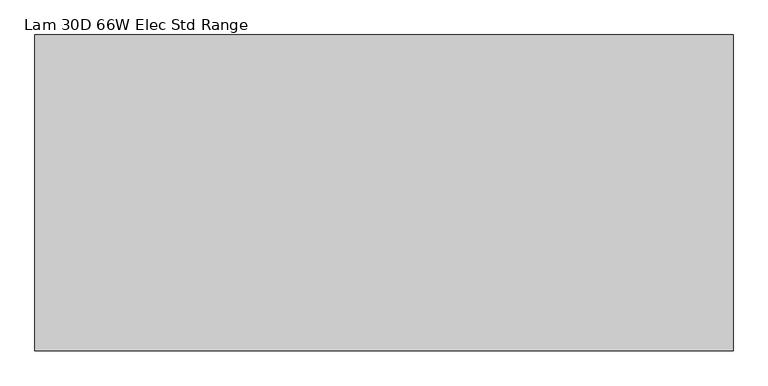
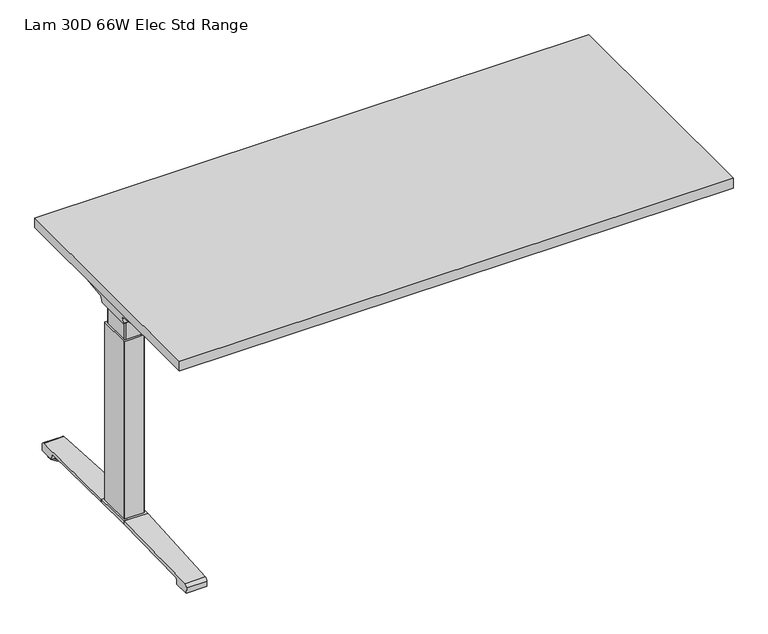
"""IFC4 building model written with IfcOpenShell, lengths in millimetres: furniture geometry, Lam 30D 66W Elec Std Range."""

from ifc_helpers import new_model, si_unit, point, frame, frame_2d, origin, place, context, project, spatial, polyline, circle_curve, ellipse_curve, trimmed, segment, composite_curve, outline, extrude, source, transform, mapped, element, save
from ifc_brep_helpers import plane_surface, cylinder_surface, revolved_surface, advanced_brep


def lam_30d_66w_elec_std_range_392728a6(model_context):
    return source(origin(), model_context, "Body", "SolidModel", [
        extrude(outline(polyline([(811.276, 366.776), (811.276, -366.776), (-811.276, -366.776), (-811.276, 366.776), (811.276, 366.776)])), frame((0.0, 0.0, 707.009), z_axis=(0.0, 0.0, 1.0), x_axis=(1.0, 0.0, 0.0)), (0.0, 0.0, 1.0), 29.591),
        advanced_brep(
        [(-794.9406297, 53.5092702, 658.5915733), (-629.2122138, 53.5092702, 658.5915733), (-643.5924181, 51.2808169, 655.9442785), (-792.4518591, 51.2808169, 655.9442785), (-795.1625278, 53.518256, 658.8276054), (-797.5619089, 54.1622827, 675.7443054), (-614.7773962, 54.1622827, 675.7443054), (-614.7773962, 53.8142965, 666.6037253), (-617.6075093, 53.7331058, 664.4710821), (-617.7501644, 53.6554397, 662.4310191), (-798.4185362, 59.6293181, 681.7839076), (-614.7773962, 59.6293181, 681.7839076), (-800.9393767, 174.2005225, 699.5569507), (-736.7243442, 174.2005225, 699.5569507), (-614.7773962, 93.3958, 687.0219877), (-801.0128152, 177.9765275, 700.0747243), (-742.4229255, 177.9765275, 700.0747243), (-801.6871296, 179.4867839, 704.8289399), (-799.9021288, 176.9098888, 707.009), (-740.8132011, 176.9098888, 707.009), (-801.6871296, -179.4867839, 704.8289399), (-801.0128152, -177.9765275, 700.0747243), (-742.4229255, -177.9765275, 700.0747243), (-740.8132011, -176.9098888, 707.009), (-799.9021288, -176.9098888, 707.009), (-800.9393767, -174.2005225, 699.5569507), (-736.7243442, -174.2005225, 699.5569507), (-798.4185362, -59.6293181, 681.7839076), (-614.7773962, -59.6293181, 681.7839076), (-614.7773962, -93.3958, 687.0219877), (-797.5619089, -54.1622827, 675.7443054), (-614.7773962, -54.1622827, 675.7443054), (-795.1625278, -53.518256, 658.8276054), (-794.9406297, -53.5092702, 658.5915733), (-629.2122138, -53.5092702, 658.5915733), (-617.7501644, -53.6554397, 662.4310191), (-617.6075093, -53.7331058, 664.4710821), (-614.7773962, -53.8142965, 666.6037253), (-792.4518591, -51.2808169, 655.9442785), (-643.5924181, -51.2808169, 655.9442785), (-614.7773962, -93.3958, 707.009), (-614.7773962, 93.3958, 707.009)],
        [
            (0, 1),
            (1, 2, ellipse_curve(frame((-653.4936465, 130.5470009, 750.1086722), z_axis=(0.0, 0.7650318638532662, -0.6439924279750482), x_axis=(0.0, 0.6439924279750482, 0.7650318638532662)), 123.7641411, 94.6835116)),
            (2, 3),
            (3, 0),
            (0, 4),
            (4, 5),
            (5, 6),
            (6, 7),
            (7, 8),
            (8, 9),
            (9, 1, ellipse_curve(frame((-653.4936465, 56.9933686, 750.1086722), z_axis=(0.0, 0.999276106683639, -0.03804290487316255), x_axis=(0.0, 0.03804290487316397, 0.999276106683639)), 94.752102, 94.6835116)),
            (5, 10, ellipse_curve(frame((-797.5119691, 60.6208409, 675.3922075), z_axis=(-0.990090671484964, 0.0, -0.14042956326377007), x_axis=(-0.1404295632637696, 0.0, 0.990090671484964)), 6.5328852, 6.4681487)),
            (10, 11),
            (11, 6, circle_curve(frame((-614.7773962, 60.6208409, 675.3922075), z_axis=(1.0, 0.0, 0.0), x_axis=(0.0, 1.0, 0.0)), 6.4681487)),
            (10, 12),
            (12, 13),
            (13, 14),
            (14, 11),
            (12, 15),
            (15, 16),
            (16, 13),
            (15, 17, ellipse_curve(frame((-801.4730772, 175.9994111, 703.3197755), z_axis=(0.990090671484964, 0.0, 0.14042956326377007), x_axis=(0.1404295632637696, 0.0, -0.990090671484964)), 3.8379455, 3.7999141)),
            (17, 18, ellipse_curve(frame((-802.922811, 175.9994111, 703.3197755), z_axis=(0.7737284588433301, 0.0, -0.6335173809580328), x_axis=(0.6335173809580328, 0.0, 0.77372845884333)), 4.9111727, 3.7999141)),
            (18, 19),
            (19, 16, ellipse_curve(frame((-739.439148, 175.9994111, 703.3197755), z_axis=(-0.5523637579768188, -0.833603190297234, 0.0), x_axis=(0.833603190297234, -0.5523637579768189, 0.0)), 6.8793689, 3.7999141)),
            (20, 21, ellipse_curve(frame((-801.4730772, -175.9994111, 703.3197755), z_axis=(0.990090671484964, 0.0, 0.14042956326377007), x_axis=(0.1404295632637696, 0.0, -0.990090671484964)), 3.8379455, 3.7999141)),
            (21, 22),
            (22, 23, ellipse_curve(frame((-739.439148, -175.9994111, 703.3197755), z_axis=(-0.5523637579750437, 0.8336031902984101, 0.0), x_axis=(0.83360319029841, 0.5523637579750436, 0.0)), 6.8793689, 3.7999141)),
            (23, 24),
            (24, 20, ellipse_curve(frame((-802.922811, -175.9994111, 703.3197755), z_axis=(0.7737284588433301, 0.0, -0.6335173809580328), x_axis=(0.6335173809580328, 0.0, 0.77372845884333)), 4.9111727, 3.7999141)),
            (21, 25),
            (25, 26),
            (26, 22),
            (27, 28),
            (28, 29),
            (29, 26),
            (25, 27),
            (27, 30, ellipse_curve(frame((-797.5119691, -60.6208409, 675.3922075), z_axis=(-0.990090671484964, 0.0, -0.14042956326377007), x_axis=(-0.1404295632637696, 0.0, 0.990090671484964)), 6.5328852, 6.4681487)),
            (30, 31),
            (31, 28, circle_curve(frame((-614.7773962, -60.6208409, 675.3922075), z_axis=(1.0, 0.0, 0.0), x_axis=(0.0, 1.0, 0.0)), 6.4681487)),
            (30, 32),
            (32, 33),
            (33, 34),
            (34, 35, ellipse_curve(frame((-653.4936465, -56.9933686, 750.1086722), z_axis=(0.0, -0.9992761066836363, -0.03804290487323539), x_axis=(0.0, 0.03804290487323121, -0.9992761066836364)), 94.752102, 94.6835116)),
            (35, 36),
            (36, 37),
            (37, 31),
            (33, 38),
            (38, 39),
            (39, 34, ellipse_curve(frame((-653.4936465, -130.5470009, 750.1086722), z_axis=(0.0, -0.7650318638534733, -0.643992427974802), x_axis=(0.0, 0.643992427974802, -0.7650318638534732)), 123.7641411, 94.6835116)),
            (4, 32),
            (20, 17),
            (24, 18),
            (23, 40),
            (40, 41),
            (41, 19),
            (37, 7),
            (14, 41),
            (40, 29),
            (36, 8),
            (35, 9),
            (39, 2),
            (38, 3),
        ],
        [
            plane_surface(frame((-817.9773962, 51.2808169, 655.9442785), z_axis=(0.0, 0.7650318638532662, -0.6439924279750482), x_axis=(1.0, 0.0, 0.0))),
            plane_surface(frame((-817.9773962, 53.5092702, 658.5915733), z_axis=(0.0, 0.999276106683639, -0.03804290487316255), x_axis=(1.0, 0.0, 0.0))),
            revolved_surface(polyline([(-798.4293793154883, 67.08898959999999, 675.3922075), (-614.7773962, 67.08898959999999, 675.3922075)]), (-817.9773962, 60.6208409, 675.3922075), (-1.0, 0.0, 0.0)),
            plane_surface(frame((-817.9773962, 59.6293181, 681.7839076), z_axis=(0.0, 0.153293135871396, -0.9881807600306302), x_axis=(1.0, 0.0, 0.0))),
            plane_surface(frame((-817.9773962, 174.2005225, 699.5569507), z_axis=(0.0, 0.13585085469026903, -0.9907292996979162), x_axis=(1.0, 0.0, 0.0))),
            cylinder_surface(frame((-817.9773962, 175.9994111, 703.3197755), z_axis=(1.0, 0.0, 0.0), x_axis=(0.0, 1.0, 0.0)), 3.7999141),
            cylinder_surface(frame((-817.9773962, -175.9994111, 703.3197755), z_axis=(1.0, 0.0, 0.0), x_axis=(0.0, 1.0, 0.0)), 3.7999141),
            plane_surface(frame((-817.9773962, -177.9765275, 700.0747243), z_axis=(0.0, -0.13585085468791205, -0.9907292996982394), x_axis=(1.0, 0.0, 0.0))),
            plane_surface(frame((-817.9773962, -174.2005225, 699.5569507), z_axis=(0.0, -0.1532931358714066, -0.9881807600306285), x_axis=(1.0, 0.0, 0.0))),
            revolved_surface(polyline([(-798.4293793154883, -54.1526922, 675.3922075), (-614.7773962, -54.1526922, 675.3922075)]), (-817.9773962, -60.6208409, 675.3922075), (-1.0, 0.0, 0.0)),
            plane_surface(frame((-817.9773962, -54.1622827, 675.7443054), z_axis=(0.0, -0.9992761066836363, -0.03804290487323539), x_axis=(1.0, 0.0, 0.0))),
            plane_surface(frame((-817.9773962, -53.5092702, 658.5915733), z_axis=(0.0, -0.7650318638534733, -0.643992427974802), x_axis=(1.0, 0.0, 0.0))),
            plane_surface(frame((-795.1625278, 190.5, 658.8276054), z_axis=(-0.990090671484964, 0.0, -0.14042956326377007), x_axis=(0.0, -1.0, 0.0))),
            plane_surface(frame((-801.6871296, 190.5, 704.8289399), z_axis=(-0.7737284588433301, 0.0, 0.6335173809580328), x_axis=(0.0, -1.0, 0.0))),
            plane_surface(frame((-799.9021288, 190.5, 707.009), z_axis=(0.0, 0.0, 1.0), x_axis=(0.0, -1.0, 0.0))),
            plane_surface(frame((-614.7773962, 190.5, 707.009), z_axis=(1.0, 0.0, 0.0), x_axis=(0.0, -1.0, 0.0))),
            plane_surface(frame((-614.7773962, 190.5, 666.6037253), z_axis=(0.6018150231516033, 0.0, -0.7986355100476283), x_axis=(0.0, -1.0, 0.0))),
            plane_surface(frame((-617.6075093, 190.5, 664.4710821), z_axis=(0.9975640502600355, 0.0, -0.06975647374110414), x_axis=(0.0, -1.0, 0.0))),
            cylinder_surface(frame((-653.4936465, 190.5, 750.1086722), z_axis=(0.0, 1.0, 0.0), x_axis=(1.0, 0.0, 0.0)), 94.6835116),
            plane_surface(frame((-643.5924181, 190.5, 655.9442785), z_axis=(0.0, 0.0, -1.0), x_axis=(0.0, -1.0, 0.0))),
            plane_surface(frame((-792.4518591, 190.5, 655.9442785), z_axis=(-0.728584606419653, 0.0, -0.6849558170337118), x_axis=(0.0, -1.0, 0.0))),
            plane_surface(frame((-761.3228017, 190.5, 707.009), z_axis=(0.5523637579768188, 0.833603190297234, 0.0), x_axis=(0.0, 0.0, -1.0))),
            plane_surface(frame((-614.7773962, -93.3958, 707.009), z_axis=(0.5523637579750437, -0.8336031902984101, 0.0), x_axis=(0.0, 0.0, -1.0))),
        ],
        [
            (0, [[1, 2, 3, 4]]),
            (1, [[-1, 5, 6, 7, 8, 9, 10, 11]]),
            (2, [[-7, 12, 13, 14]]),
            (3, [[-13, 15, 16, 17, 18]]),
            (4, [[19, 20, 21, -16]]),
            (5, [[22, 23, 24, 25, -20]]),
            (6, [[26, 27, 28, 29, 30]]),
            (7, [[31, 32, 33, -27]]),
            (8, [[34, 35, 36, -32, 37]]),
            (9, [[-34, 38, 39, 40]]),
            (10, [[-39, 41, 42, 43, 44, 45, 46, 47]]),
            (11, [[-43, 48, 49, 50]]),
            (12, [[51, -41, -38, -37, -31, -26, 52, -22, -19, -15, -12, -6]]),
            (13, [[-52, -30, 53, -23]]),
            (14, [[-53, -29, 54, 55, 56, -24]]),
            (15, [[57, -8, -14, -18, 58, -55, 59, -35, -40, -47]]),
            (16, [[-57, -46, 60, -9]]),
            (17, [[-60, -45, 61, -10]]),
            (18, [[-61, -44, -50, 62, -2, -11]]),
            (19, [[-62, -49, 63, -3]]),
            (20, [[-51, -5, -4, -63, -48, -42]]),
            (21, [[-56, -58, -17, -21, -25]]),
            (22, [[-54, -28, -33, -36, -59]]),
        ],
    ),
        advanced_brep(
        [(629.2122138, 53.5092702, 658.5915733), (794.9406297, 53.5092702, 658.5915733), (792.4518591, 51.2808169, 655.9442785), (643.5924181, 51.2808169, 655.9442785), (617.7501644, 53.6554397, 662.4310191), (617.6075093, 53.7331058, 664.4710821), (614.9619573, 53.8090018, 666.4646485), (614.9619573, 54.1622827, 675.7443054), (797.5619089, 54.1622827, 675.7443054), (795.1625278, 53.518256, 658.8276054), (614.9619573, 59.6293181, 681.7839076), (798.4185362, 59.6293181, 681.7839076), (614.9619573, 93.3889953, 687.0209321), (736.7570453, 174.2005225, 699.5569507), (800.9393767, 174.2005225, 699.5569507), (801.0128152, 177.9765275, 700.0747243), (742.4480509, 177.9765275, 700.0747243), (801.6871296, 179.4867839, 704.8289399), (740.8404665, 176.9098888, 707.009), (799.9021288, 176.9098888, 707.009), (801.0128152, -177.9765275, 700.0747243), (801.6871296, -179.4867839, 704.8289399), (799.9021288, -176.9098888, 707.009), (740.8404665, -176.9098888, 707.009), (742.4480509, -177.9765275, 700.0747243), (800.9393767, -174.2005225, 699.5569507), (736.7570453, -174.2005225, 699.5569507), (614.9619573, -59.6293181, 681.7839076), (798.4185362, -59.6293181, 681.7839076), (614.9619573, -93.3889953, 687.0209321), (614.9619573, -54.1622827, 675.7443054), (797.5619089, -54.1622827, 675.7443054), (614.9619573, -53.8090018, 666.4646485), (617.6075093, -53.7331058, 664.4710821), (617.7501644, -53.6554397, 662.4310191), (629.2122138, -53.5092702, 658.5915733), (794.9406297, -53.5092702, 658.5915733), (795.1625278, -53.518256, 658.8276054), (643.5924181, -51.2808169, 655.9442785), (792.4518591, -51.2808169, 655.9442785), (614.9619573, 93.3889953, 707.009), (614.9619573, -93.3889953, 707.009)],
        [
            (0, 1),
            (1, 2),
            (2, 3),
            (3, 0, ellipse_curve(frame((653.4936465, 130.5470009, 750.1086722), z_axis=(0.0, 0.7650318638532565, -0.6439924279750596), x_axis=(0.0, -0.6439924279750596, -0.7650318638532564)), 123.7641411, 94.6835116)),
            (0, 4, ellipse_curve(frame((653.4936465, 56.9933686, 750.1086722), z_axis=(0.0, 0.9992761066836392, -0.03804290487315862), x_axis=(0.0, -0.03804290487315623, -0.9992761066836393)), 94.752102, 94.6835116)),
            (4, 5),
            (5, 6),
            (6, 7),
            (7, 8),
            (8, 9),
            (9, 1),
            (7, 10, circle_curve(frame((614.9619573, 60.6208409, 675.3922075), z_axis=(-1.0, 0.0, 0.0), x_axis=(0.0, 1.0, 0.0)), 6.4681487)),
            (10, 11),
            (11, 8, ellipse_curve(frame((797.5119691, 60.6208409, 675.3922075), z_axis=(0.9900906714849659, 0.0, -0.1404295632637567), x_axis=(-0.1404295632637562, 0.0, -0.9900906714849659)), 6.5328852, 6.4681487)),
            (10, 12),
            (12, 13),
            (13, 14),
            (14, 11),
            (15, 14),
            (13, 16),
            (16, 15),
            (17, 15, ellipse_curve(frame((801.4730772, 175.9994111, 703.3197755), z_axis=(-0.9900906714849659, 0.0, 0.1404295632637567), x_axis=(0.1404295632637562, 0.0, 0.9900906714849659)), 3.8379455, 3.7999141)),
            (16, 18, ellipse_curve(frame((739.46824, 175.9994111, 703.3197755), z_axis=(0.5528743936295475, -0.8332646067539172, 0.0), x_axis=(0.8332646067539171, 0.5528743936295475, 0.0)), 6.8730151, 3.7999141)),
            (18, 19),
            (19, 17, ellipse_curve(frame((802.922811, 175.9994111, 703.3197755), z_axis=(-0.7737284588399557, 0.0, -0.633517380962154), x_axis=(0.6335173809621538, 0.0, -0.7737284588399556)), 4.9111727, 3.7999141)),
            (20, 21, ellipse_curve(frame((801.4730772, -175.9994111, 703.3197755), z_axis=(-0.9900906714849659, 0.0, 0.1404295632637567), x_axis=(0.1404295632637562, 0.0, 0.9900906714849659)), 3.8379455, 3.7999141)),
            (21, 22, ellipse_curve(frame((802.922811, -175.9994111, 703.3197755), z_axis=(-0.7737284588399557, 0.0, -0.633517380962154), x_axis=(0.6335173809621538, 0.0, -0.7737284588399556)), 4.9111727, 3.7999141)),
            (22, 23),
            (23, 24, ellipse_curve(frame((739.46824, -175.9994111, 703.3197755), z_axis=(0.5528743936295326, 0.833264606753927, 0.0), x_axis=(0.833264606753927, -0.5528743936295326, 0.0)), 6.8730151, 3.7999141)),
            (24, 20),
            (25, 20),
            (24, 26),
            (26, 25),
            (27, 28),
            (28, 25),
            (26, 29),
            (29, 27),
            (27, 30, circle_curve(frame((614.9619573, -60.6208409, 675.3922075), z_axis=(-1.0, 0.0, 0.0), x_axis=(0.0, 1.0, 0.0)), 6.4681487)),
            (30, 31),
            (31, 28, ellipse_curve(frame((797.5119691, -60.6208409, 675.3922075), z_axis=(0.9900906714849659, 0.0, -0.1404295632637567), x_axis=(-0.1404295632637562, 0.0, -0.9900906714849659)), 6.5328852, 6.4681487)),
            (30, 32),
            (32, 33),
            (33, 34),
            (34, 35, ellipse_curve(frame((653.4936465, -56.9933686, 750.1086722), z_axis=(0.0, -0.9992761066836363, -0.03804290487323539), x_axis=(0.0, -0.03804290487323121, 0.9992761066836364)), 94.752102, 94.6835116)),
            (35, 36),
            (36, 37),
            (37, 31),
            (35, 38, ellipse_curve(frame((653.4936465, -130.5470009, 750.1086722), z_axis=(0.0, -0.7650318638534733, -0.643992427974802), x_axis=(0.0, -0.643992427974802, 0.7650318638534732)), 123.7641411, 94.6835116)),
            (38, 39),
            (39, 36),
            (37, 9),
            (17, 21),
            (19, 22),
            (18, 40),
            (40, 41),
            (41, 23),
            (6, 32),
            (29, 41),
            (40, 12),
            (5, 33),
            (4, 34),
            (3, 38),
            (2, 39),
        ],
        [
            plane_surface(frame((614.9619573, 51.2808169, 655.9442785), z_axis=(0.0, 0.7650318638532565, -0.6439924279750596), x_axis=(1.0, 0.0, 0.0))),
            plane_surface(frame((614.9619573, 53.5092702, 658.5915733), z_axis=(0.0, 0.9992761066836392, -0.03804290487315862), x_axis=(1.0, 0.0, 0.0))),
            revolved_surface(polyline([(614.9619573, 67.08898959999999, 675.3922075), (798.4293793154882, 67.08898959999999, 675.3922075)]), (614.9619573, 60.6208409, 675.3922075), (-1.0, 0.0, 0.0)),
            plane_surface(frame((614.9619573, 59.6293181, 681.7839076), z_axis=(0.0, 0.15329313587140309, -0.988180760030629), x_axis=(1.0, 0.0, 0.0))),
            plane_surface(frame((614.9619573, 174.2005225, 699.5569507), z_axis=(0.0, 0.1358508546900816, -0.9907292996979419), x_axis=(1.0, 0.0, 0.0))),
            cylinder_surface(frame((614.9619573, 175.9994111, 703.3197755), z_axis=(1.0, 0.0, 0.0), x_axis=(0.0, 1.0, 0.0)), 3.7999141),
            cylinder_surface(frame((614.9619573, -175.9994111, 703.3197755), z_axis=(1.0, 0.0, 0.0), x_axis=(0.0, 1.0, 0.0)), 3.7999141),
            plane_surface(frame((614.9619573, -177.9765275, 700.0747243), z_axis=(0.0, -0.1358508546877776, -0.9907292996982578), x_axis=(1.0, 0.0, 0.0))),
            plane_surface(frame((614.9619573, -174.2005225, 699.5569507), z_axis=(0.0, -0.15329313587141113, -0.9881807600306277), x_axis=(1.0, 0.0, 0.0))),
            revolved_surface(polyline([(614.9619573, -54.1526922, 675.3922075), (798.4293793154882, -54.1526922, 675.3922075)]), (614.9619573, -60.6208409, 675.3922075), (-1.0, 0.0, 0.0)),
            plane_surface(frame((614.9619573, -54.1622827, 675.7443054), z_axis=(0.0, -0.9992761066836363, -0.03804290487323539), x_axis=(1.0, 0.0, 0.0))),
            plane_surface(frame((614.9619573, -53.5092702, 658.5915733), z_axis=(0.0, -0.7650318638534733, -0.643992427974802), x_axis=(1.0, 0.0, 0.0))),
            plane_surface(frame((795.1625278, -190.5, 658.8276054), z_axis=(0.9900906714849659, 0.0, -0.1404295632637567), x_axis=(0.0, 1.0, 0.0))),
            plane_surface(frame((801.6871296, -190.5, 704.8289399), z_axis=(0.7737284588399557, 0.0, 0.633517380962154), x_axis=(0.0, 1.0, 0.0))),
            plane_surface(frame((799.9021288, -190.5, 707.009), z_axis=(0.0, 0.0, 1.0), x_axis=(0.0, 1.0, 0.0))),
            plane_surface(frame((614.9619573, -190.5, 707.009), z_axis=(-1.0, 0.0, 0.0), x_axis=(0.0, 1.0, 0.0))),
            plane_surface(frame((614.9619573, -190.5, 666.4646485), z_axis=(-0.6018150231540728, 0.0, -0.7986355100457674), x_axis=(0.0, 1.0, 0.0))),
            plane_surface(frame((617.6075093, -190.5, 664.4710821), z_axis=(-0.9975640502598242, 0.0, -0.06975647374412697), x_axis=(0.0, 1.0, 0.0))),
            cylinder_surface(frame((653.4936465, -190.5, 750.1086722), z_axis=(0.0, -1.0, 0.0), x_axis=(-1.0, 0.0, 0.0)), 94.6835116),
            plane_surface(frame((643.5924181, -190.5, 655.9442785), z_axis=(0.0, 0.0, -1.0), x_axis=(0.0, 1.0, 0.0))),
            plane_surface(frame((792.4518591, -190.5, 655.9442785), z_axis=(0.7285846064222866, 0.0, -0.6849558170309101), x_axis=(0.0, 1.0, 0.0))),
            plane_surface(frame((614.9619573, 93.3889953, 707.009), z_axis=(-0.5528743936295475, 0.8332646067539172, 0.0), x_axis=(0.0, 0.0, -1.0))),
            plane_surface(frame((761.3228017, -190.5, 707.009), z_axis=(-0.5528743936295326, -0.833264606753927, 0.0), x_axis=(0.0, 0.0, -1.0))),
        ],
        [
            (0, [[1, 2, 3, 4]]),
            (1, [[-1, 5, 6, 7, 8, 9, 10, 11]]),
            (2, [[-9, 12, 13, 14]]),
            (3, [[-13, 15, 16, 17, 18]]),
            (4, [[19, -17, 20, 21]]),
            (5, [[22, -21, 23, 24, 25]]),
            (6, [[26, 27, 28, 29, 30]]),
            (7, [[31, -30, 32, 33]]),
            (8, [[34, 35, -33, 36, 37]]),
            (9, [[-34, 38, 39, 40]]),
            (10, [[-39, 41, 42, 43, 44, 45, 46, 47]]),
            (11, [[-45, 48, 49, 50]]),
            (12, [[51, -10, -14, -18, -19, -22, 52, -26, -31, -35, -40, -47]]),
            (13, [[-52, -25, 53, -27]]),
            (14, [[-53, -24, 54, 55, 56, -28]]),
            (15, [[57, -41, -38, -37, 58, -55, 59, -15, -12, -8]]),
            (16, [[-57, -7, 60, -42]]),
            (17, [[-60, -6, 61, -43]]),
            (18, [[-61, -5, -4, 62, -48, -44]]),
            (19, [[-62, -3, 63, -49]]),
            (20, [[-51, -46, -50, -63, -2, -11]]),
            (21, [[-54, -23, -20, -16, -59]]),
            (22, [[-56, -58, -36, -32, -29]]),
        ],
    ),
        advanced_brep(
        [(-614.7773962, 78.6831697, 701.7794894), (-614.7773962, 80.4475242, 704.0075511), (-614.7773962, 91.4281225, 704.0075511), (-614.7773962, 92.1582919, 701.4093085), (-614.7773962, 70.7319108, 671.8462148), (-614.7773962, 53.3310914, 663.2452863), (-614.7773962, -53.4567844, 663.2452863), (-614.7773962, -71.0845783, 672.2997482), (-614.7773962, -92.4192862, 702.0706054), (-614.7773962, -90.7807234, 704.1266572), (-614.7773962, -80.5655902, 704.1266572), (-614.7773962, -78.6946152, 701.7794894), (-614.7773962, -79.4358363, 701.2423822), (-614.7773962, -81.0060637, 703.2122572), (-614.7773962, -90.6846762, 703.2122572), (-614.7773962, -91.4905649, 702.3444366), (-614.7773962, -70.3413256, 672.8323858), (-614.7773962, -53.4567844, 664.1598536), (-614.7773962, 53.3310914, 664.1596863), (-614.7773962, 69.99844, 672.3923713), (-614.7773962, 91.3521627, 701.8552144), (-614.7773962, 91.0948942, 703.0931511), (-614.7773962, 80.889809, 703.0931511), (-614.7773962, 79.4242719, 701.2424419), (614.9619573, 78.6831697, 701.7794894), (614.9619573, 79.4242719, 701.2424419), (614.9619573, 80.889809, 703.0931511), (614.9619573, 91.0948942, 703.0931511), (614.9619573, 91.3521627, 701.8552144), (614.9619573, 69.99844, 672.3923713), (614.9619573, 53.3310914, 664.1596863), (614.9619573, -53.4567845, 664.1596863), (614.9619573, -70.3413256, 672.8323858), (614.9619573, -91.4905649, 702.3444366), (614.9619573, -90.6846762, 703.2122572), (614.9619573, -81.0060637, 703.2122572), (614.9619573, -79.4358363, 701.2423822), (614.9619573, -78.6946152, 701.7794894), (614.9619573, -80.5655902, 704.1266572), (614.9619573, -90.7807234, 704.1266572), (614.9619573, -92.4192862, 702.0706054), (614.9619573, -71.0845783, 672.2997482), (614.9619573, -53.4567844, 663.2454536), (614.9619573, 53.3310914, 663.2452863), (614.9619573, 70.7319108, 671.8462148), (614.9619573, 92.1582919, 701.4093085), (614.9619573, 91.4281225, 704.0075511), (614.9619573, 80.4475242, 704.0075511)],
        [
            (0, 1),
            (1, 2),
            (2, 3, circle_curve(frame((-614.7773962, 90.2105576, 702.2636667), z_axis=(-1.0, 0.0, 0.0), x_axis=(0.0, 1.0, 0.0)), 2.1268749)),
            (3, 4),
            (4, 5, circle_curve(frame((-614.7773962, 53.3310914, 685.1478336), z_axis=(-1.0, 0.0, 0.0), x_axis=(0.0, 1.0, 0.0)), 21.9025472)),
            (5, 6),
            (6, 7, circle_curve(frame((-614.7773962, -53.4567844, 684.932365), z_axis=(-1.0, 0.0, 0.0), x_axis=(0.0, 1.0, 0.0)), 21.6869114)),
            (7, 8),
            (8, 9, circle_curve(frame((-614.7773962, -90.4189365, 702.1573833), z_axis=(-1.0, 0.0, 0.0), x_axis=(0.0, 1.0, 0.0)), 2.0022311)),
            (9, 10),
            (10, 11),
            (11, 12),
            (12, 13),
            (13, 14),
            (14, 15, circle_curve(frame((-614.7773962, -90.4189365, 702.1573833), z_axis=(1.0, 0.0, 0.0), x_axis=(0.0, 1.0, 0.0)), 1.0878311)),
            (15, 16),
            (16, 17, circle_curve(frame((-614.7773962, -53.4567844, 684.932365), z_axis=(1.0, 0.0, 0.0), x_axis=(0.0, 1.0, 0.0)), 20.7725114)),
            (17, 18),
            (18, 19, circle_curve(frame((-614.7773962, 53.3310914, 685.1478336), z_axis=(1.0, 0.0, 0.0), x_axis=(0.0, 1.0, 0.0)), 20.9881473)),
            (19, 20),
            (20, 21, circle_curve(frame((-614.7773962, 90.2105576, 702.2636667), z_axis=(1.0, 0.0, 0.0), x_axis=(0.0, 1.0, 0.0)), 1.2124749)),
            (21, 22),
            (22, 23),
            (23, 0),
            (24, 25),
            (25, 26),
            (26, 27),
            (27, 28, circle_curve(frame((614.9619573, 90.2105576, 702.2636667), z_axis=(-1.0, 0.0, 0.0), x_axis=(0.0, 1.0, 0.0)), 1.2124749)),
            (28, 29),
            (29, 30, circle_curve(frame((614.9619573, 53.3310914, 685.1478336), z_axis=(-1.0, 0.0, 0.0), x_axis=(0.0, 1.0, 0.0)), 20.9881473)),
            (30, 31),
            (31, 32, circle_curve(frame((614.9619573, -53.4567844, 684.932365), z_axis=(-1.0, 0.0, 0.0), x_axis=(0.0, 1.0, 0.0)), 20.7725114)),
            (32, 33),
            (33, 34, circle_curve(frame((614.9619573, -90.4189365, 702.1573833), z_axis=(-1.0, 0.0, 0.0), x_axis=(0.0, 1.0, 0.0)), 1.0878311)),
            (34, 35),
            (35, 36),
            (36, 37),
            (37, 38),
            (38, 39),
            (39, 40, circle_curve(frame((614.9619573, -90.4189365, 702.1573833), z_axis=(1.0, 0.0, 0.0), x_axis=(0.0, 1.0, 0.0)), 2.0022311)),
            (40, 41),
            (41, 42, circle_curve(frame((614.9619573, -53.4567844, 684.932365), z_axis=(1.0, 0.0, 0.0), x_axis=(0.0, 1.0, 0.0)), 21.6869114)),
            (42, 43),
            (43, 44, circle_curve(frame((614.9619573, 53.3310914, 685.1478336), z_axis=(1.0, 0.0, 0.0), x_axis=(0.0, 1.0, 0.0)), 21.9025472)),
            (44, 45),
            (45, 46, circle_curve(frame((614.9619573, 90.2105576, 702.2636667), z_axis=(1.0, 0.0, 0.0), x_axis=(0.0, 1.0, 0.0)), 2.1268749)),
            (46, 47),
            (47, 24),
            (0, 24),
            (47, 1),
            (46, 2),
            (45, 3),
            (44, 4),
            (43, 5),
            (42, 6),
            (41, 7),
            (40, 8),
            (39, 9),
            (38, 10),
            (37, 11),
            (36, 12),
            (35, 13),
            (34, 14),
            (33, 15),
            (32, 16),
            (31, 17),
            (30, 18),
            (29, 19),
            (28, 20),
            (27, 21),
            (26, 22),
            (25, 23),
        ],
        [
            plane_surface(frame((-614.7773962, 0.0, 707.009), z_axis=(-1.0, 0.0, 0.0), x_axis=(0.0, 0.0, 1.0))),
            plane_surface(frame((614.9619573, 0.0, 707.009), z_axis=(1.0, 0.0, 0.0), x_axis=(0.0, 0.0, 1.0))),
            plane_surface(frame((-614.7773962, 78.6831697, 701.7794894), z_axis=(0.0, -0.7839649337165058, 0.6208051084703434), x_axis=(1.0, 0.0, 0.0))),
            plane_surface(frame((-614.7773962, 80.4475242, 704.0075511), z_axis=(0.0, 0.0, 1.0), x_axis=(1.0, 0.0, 0.0))),
            cylinder_surface(frame((-614.7773962, 90.2105576, 702.2636667), z_axis=(-1.0, 0.0, 0.0), x_axis=(0.0, 1.0, 0.0)), 2.1268749),
            plane_surface(frame((-614.7773962, 92.1582919, 701.4093085), z_axis=(0.0, 0.8096997445281038, -0.586844377762217), x_axis=(1.0, 0.0, 0.0))),
            cylinder_surface(frame((-614.7773962, 53.3310914, 685.1478336), z_axis=(-1.0, 0.0, 0.0), x_axis=(0.0, 1.0, 0.0)), 21.9025472),
            plane_surface(frame((-614.7773962, 53.3310914, 663.2452863), z_axis=(0.0, 0.0, -1.0), x_axis=(1.0, 0.0, 0.0))),
            cylinder_surface(frame((-614.7773962, -53.4567844, 684.932365), z_axis=(-1.0, 0.0, 0.0), x_axis=(0.0, 1.0, 0.0)), 21.6869114),
            plane_surface(frame((-614.7773962, -71.0845783, 672.2997482), z_axis=(0.0, -0.8128309997561537, -0.5824995844079305), x_axis=(1.0, 0.0, 0.0))),
            cylinder_surface(frame((-614.7773962, -90.4189365, 702.1573833), z_axis=(-1.0, 0.0, 0.0), x_axis=(0.0, 1.0, 0.0)), 2.0022311),
            plane_surface(frame((-614.7773962, -90.7807234, 704.1266572), z_axis=(0.0, 0.0, 1.0), x_axis=(1.0, 0.0, 0.0))),
            plane_surface(frame((-614.7773962, -80.5655902, 704.1266572), z_axis=(0.0, 0.7819660587237972, 0.6233210112004657), x_axis=(1.0, 0.0, 0.0))),
            plane_surface(frame((-614.7773962, -78.6946152, 701.7794894), z_axis=(0.0, 0.5867684336468096, -0.8097547809526473), x_axis=(1.0, 0.0, 0.0))),
            plane_surface(frame((-614.7773962, -79.4358363, 701.2423822), z_axis=(0.0, -0.7819660587239206, -0.6233210112003109), x_axis=(1.0, 0.0, 0.0))),
            plane_surface(frame((-614.7773962, -81.0060637, 703.2122572), z_axis=(0.0, 0.0, -1.0), x_axis=(1.0, 0.0, 0.0))),
            revolved_surface(polyline([(614.9619573000001, -89.3311054, 702.1573833), (-614.7773962, -89.3311054, 702.1573833)]), (-614.7773962, -90.4189365, 702.1573833), (1.0, 0.0, 0.0)),
            plane_surface(frame((-614.7773962, -91.4905649, 702.3444366), z_axis=(0.0, 0.8128309996716102, 0.582499584525904), x_axis=(1.0, 0.0, 0.0))),
            revolved_surface(polyline([(614.9619573000001, -32.684273, 684.932365), (-614.7773962, -32.684273, 684.932365)]), (-614.7773962, -53.4567844, 684.932365), (1.0, 0.0, 0.0)),
            plane_surface(frame((-614.7773962, -53.4567845, 664.1596863), z_axis=(0.0, 0.0, 1.0), x_axis=(1.0, 0.0, 0.0))),
            revolved_surface(polyline([(614.9619573000001, 74.3192387, 685.1478336), (-614.7773962, 74.3192387, 685.1478336)]), (-614.7773962, 53.3310914, 685.1478336), (1.0, 0.0, 0.0)),
            plane_surface(frame((-614.7773962, 69.99844, 672.3923713), z_axis=(0.0, -0.8096997449536107, 0.5868443771751228), x_axis=(1.0, 0.0, 0.0))),
            revolved_surface(polyline([(614.9619573000001, 91.4230325, 702.2636667), (-614.7773962, 91.4230325, 702.2636667)]), (-614.7773962, 90.2105576, 702.2636667), (1.0, 0.0, 0.0)),
            plane_surface(frame((-614.7773962, 91.0948942, 703.0931511), z_axis=(0.0, 0.0, -1.0), x_axis=(1.0, 0.0, 0.0))),
            plane_surface(frame((-614.7773962, 80.889809, 703.0931511), z_axis=(0.0, 0.7839649337164979, -0.6208051084703533), x_axis=(1.0, 0.0, 0.0))),
            plane_surface(frame((-614.7773962, 79.4242719, 701.2424419), z_axis=(0.0, -0.5867873637752554, -0.8097410633737715), x_axis=(1.0, 0.0, 0.0))),
        ],
        [
            (0, [[1, 2, 3, 4, 5, 6, 7, 8, 9, 10, 11, 12, 13, 14, 15, 16, 17, 18, 19, 20, 21, 22, 23, 24]]),
            (1, [[25, 26, 27, 28, 29, 30, 31, 32, 33, 34, 35, 36, 37, 38, 39, 40, 41, 42, 43, 44, 45, 46, 47, 48]]),
            (2, [[-1, 49, -48, 50]]),
            (3, [[-2, -50, -47, 51]]),
            (4, [[-3, -51, -46, 52]]),
            (5, [[-4, -52, -45, 53]]),
            (6, [[-5, -53, -44, 54]]),
            (7, [[-6, -54, -43, 55]]),
            (8, [[-7, -55, -42, 56]]),
            (9, [[-8, -56, -41, 57]]),
            (10, [[-9, -57, -40, 58]]),
            (11, [[-10, -58, -39, 59]]),
            (12, [[-11, -59, -38, 60]]),
            (13, [[-12, -60, -37, 61]]),
            (14, [[-13, -61, -36, 62]]),
            (15, [[-14, -62, -35, 63]]),
            (16, [[-15, -63, -34, 64]]),
            (17, [[-16, -64, -33, 65]]),
            (18, [[-17, -65, -32, 66]]),
            (19, [[-18, -66, -31, 67]]),
            (20, [[-19, -67, -30, 68]]),
            (21, [[-20, -68, -29, 69]]),
            (22, [[-21, -69, -28, 70]]),
            (23, [[-22, -70, -27, 71]]),
            (24, [[-23, -71, -26, 72]]),
            (25, [[-24, -72, -25, -49]]),
        ],
    ),
        extrude(outline(composite_curve([segment(polyline([(-85.2357617, 705.3739712), (-93.5160102, 705.3739712), (-94.0273408, 704.3565876), (-71.001647, 672.4872047)]), True, "CONTINUOUS"), segment(trimmed(circle_curve(frame_2d((-52.8576186, 688.0741393)), 23.9198306), [point((-71.001647, 672.4872047))], [point((-52.8576186, 664.1543087))], True, "CARTESIAN"), True, "CONTINUOUS"), segment(polyline([(-52.8576186, 664.1543087), (160.8304611, 664.1543087)]), True, "CONTINUOUS"), segment(trimmed(circle_curve(frame_2d((161.6245677, 686.2522042)), 22.1121593), [point((160.8304611, 664.1543087))], [point((179.5297793, 673.2771903))], True, "CARTESIAN"), True, "CONTINUOUS"), segment(polyline([(179.5297793, 673.2771903), (201.4820672, 703.5708273), (202.2225039, 703.0342821), (180.2702102, 672.740637)]), True, "CONTINUOUS"), segment(trimmed(circle_curve(frame_2d((161.6245677, 686.2522042)), 23.0265593), [point((180.2702102, 672.740637))], [point((160.814203, 663.2399087))], False, "CARTESIAN"), True, "CONTINUOUS"), segment(polyline([(160.814203, 663.2399087), (-52.8576186, 663.2399087)]), True, "CONTINUOUS"), segment(trimmed(circle_curve(frame_2d((-52.8576186, 688.0741393)), 24.8342306), [point((-52.8576186, 663.2399087))], [point((-71.7205231, 671.9208163))], False, "CARTESIAN"), True, "CONTINUOUS"), segment(polyline([(-71.7205231, 671.9208163), (-95.0936869, 704.2711252), (-94.0798316, 706.2883712), (-84.9968781, 706.2883712), (-85.2357617, 705.3739712)]), True, "CONTINUOUS")], self_intersect=False)), frame((-614.7773962, 0.0, 0.0), z_axis=(1.0, 0.0, 0.0), x_axis=(0.0, 1.0, 0.0)), (0.0, 0.0, 1.0), 1229.7393535),
        advanced_brep(
        [(738.5283088, 44.7482497, 655.9442785), (735.7624028, 42.3950111, 655.9442785), (735.7624028, -42.3786142, 655.9442785), (738.8159671, -44.728013, 655.9442785), (782.1299922, -44.7482497, 655.9442785), (785.1895972, -42.3785064, 655.9442785), (785.1895972, 42.3950956, 655.9442785), (782.4236912, 44.7482497, 655.9442785), (738.5283088, 44.7482497, 599.0990785), (782.4236912, 44.7482497, 599.0990785), (785.1895972, 42.3950956, 599.0990785), (785.1895972, -42.3785064, 599.0990785), (782.1360098, -44.7280077, 599.0990785), (738.8220078, -44.7482497, 599.0990785), (735.7624028, -42.3786142, 599.0990785), (735.7624028, 42.3950111, 599.0990785)],
        [
            (0, 1, circle_curve(frame((738.8300788, 41.5914719, 655.9442785), z_axis=(0.0, 0.0, 1.0), x_axis=(1.0, 0.0, 0.0)), 3.1711688)),
            (1, 2),
            (2, 3, circle_curve(frame((738.8159671, -41.568922, 655.9442785), z_axis=(0.0, 0.0, 1.0), x_axis=(1.0, 0.0, 0.0)), 3.1590911)),
            (3, 4),
            (4, 5, circle_curve(frame((782.1360098, -41.568922, 655.9442785), z_axis=(0.0, 0.0, 1.0), x_axis=(1.0, 0.0, 0.0)), 3.1590858)),
            (5, 6),
            (6, 7, circle_curve(frame((782.1219439, 41.5914698, 655.9442785), z_axis=(0.0, 0.0, 1.0), x_axis=(1.0, 0.0, 0.0)), 3.1711687)),
            (7, 0),
            (8, 9),
            (9, 10, circle_curve(frame((782.1219439, 41.5914698, 599.0990785), z_axis=(0.0, 0.0, -1.0), x_axis=(1.0, 0.0, 0.0)), 3.1711687)),
            (10, 11),
            (11, 12, circle_curve(frame((782.1360098, -41.568922, 599.0990785), z_axis=(0.0, 0.0, -1.0), x_axis=(1.0, 0.0, 0.0)), 3.1590858)),
            (12, 13),
            (13, 14, circle_curve(frame((738.8159671, -41.568922, 599.0990785), z_axis=(0.0, 0.0, -1.0), x_axis=(1.0, 0.0, 0.0)), 3.1590911)),
            (14, 15),
            (15, 8, circle_curve(frame((738.8300788, 41.5914719, 599.0990785), z_axis=(0.0, 0.0, -1.0), x_axis=(1.0, 0.0, 0.0)), 3.1711688)),
            (7, 9),
            (8, 0),
            (6, 10),
            (5, 11),
            (4, 12),
            (3, 13),
            (2, 14),
            (1, 15),
        ],
        [
            plane_surface(frame((742.0012476, 41.5914719, 655.9442785), z_axis=(0.0, 0.0, 1.0), x_axis=(0.0, 1.0, 0.0))),
            plane_surface(frame((742.0012476, 41.5914719, 599.0990785), z_axis=(0.0, 0.0, -1.0), x_axis=(0.0, -1.0, 0.0))),
            plane_surface(frame((782.4236912, 44.7482497, 655.9442785), z_axis=(0.0, 1.0, 0.0), x_axis=(0.0, 0.0, -1.0))),
            cylinder_surface(frame((782.1219439, 41.5914698, 599.0990785), z_axis=(0.0, 0.0, 1.0), x_axis=(1.0, 0.0, 0.0)), 3.1711687),
            plane_surface(frame((785.1895972, -42.3785064, 655.9442785), z_axis=(1.0, 0.0, 0.0), x_axis=(0.0, 0.0, -1.0))),
            cylinder_surface(frame((782.1360098, -41.568922, 599.0990785), z_axis=(0.0, 0.0, 1.0), x_axis=(1.0, 0.0, 0.0)), 3.1590858),
            plane_surface(frame((738.8220078, -44.7482497, 655.9442785), z_axis=(0.0, -1.0, 0.0), x_axis=(0.0, 0.0, -1.0))),
            cylinder_surface(frame((738.8159671, -41.568922, 599.0990785), z_axis=(0.0, 0.0, 1.0), x_axis=(1.0, 0.0, 0.0)), 3.1590911),
            plane_surface(frame((735.7624028, 42.3950111, 655.9442785), z_axis=(-1.0, 0.0, 0.0), x_axis=(0.0, 0.0, -1.0))),
            cylinder_surface(frame((738.8300788, 41.5914719, 599.0990785), z_axis=(0.0, 0.0, 1.0), x_axis=(1.0, 0.0, 0.0)), 3.1711688),
        ],
        [
            (0, [[1, 2, 3, 4, 5, 6, 7, 8]]),
            (1, [[9, 10, 11, 12, 13, 14, 15, 16]]),
            (2, [[-8, 17, -9, 18]]),
            (3, [[-7, 19, -10, -17]]),
            (4, [[-6, 20, -11, -19]]),
            (5, [[-5, 21, -12, -20]]),
            (6, [[-4, 22, -13, -21]]),
            (7, [[-3, 23, -14, -22]]),
            (8, [[-2, 24, -15, -23]]),
            (9, [[-1, -18, -16, -24]]),
        ],
    ),
        advanced_brep(
        [(-738.5283088, 44.7482497, 655.9442785), (-782.4236912, 44.7482497, 655.9442785), (-785.1806448, 42.4285241, 655.9442785), (-785.1806448, -42.4115492, 655.9442785), (-782.1360098, -44.7280077, 655.9442785), (-738.8220078, -44.7482497, 655.9442785), (-735.7713552, -42.4116525, 655.9442785), (-735.7713552, 42.4284433, 655.9442785), (-738.5283088, 44.7482497, 599.0990785), (-735.7713552, 42.4284433, 599.0990785), (-735.7713552, -42.4116525, 599.0990785), (-738.8159671, -44.728013, 599.0990785), (-782.1299922, -44.7482497, 599.0990785), (-785.1806448, -42.4115492, 599.0990785), (-785.1806448, 42.4285241, 599.0990785), (-782.4236912, 44.7482497, 599.0990785)],
        [
            (0, 1),
            (1, 2, circle_curve(frame((-782.1219439, 41.5914698, 655.9442785), z_axis=(0.0, 0.0, 1.0), x_axis=(-1.0, 0.0, 0.0)), 3.1711687)),
            (2, 3),
            (3, 4, circle_curve(frame((-782.1360098, -41.568922, 655.9442785), z_axis=(0.0, 0.0, 1.0), x_axis=(-1.0, 0.0, 0.0)), 3.1590858)),
            (4, 5),
            (5, 6, circle_curve(frame((-738.8159671, -41.568922, 655.9442785), z_axis=(0.0, 0.0, 1.0), x_axis=(-1.0, 0.0, 0.0)), 3.1590911)),
            (6, 7),
            (7, 0, circle_curve(frame((-738.8300788, 41.5914719, 655.9442785), z_axis=(0.0, 0.0, 1.0), x_axis=(-1.0, 0.0, 0.0)), 3.1711688)),
            (8, 9, circle_curve(frame((-738.8300788, 41.5914719, 599.0990785), z_axis=(0.0, 0.0, -1.0), x_axis=(-1.0, 0.0, 0.0)), 3.1711688)),
            (9, 10),
            (10, 11, circle_curve(frame((-738.8159671, -41.568922, 599.0990785), z_axis=(0.0, 0.0, -1.0), x_axis=(-1.0, 0.0, 0.0)), 3.1590911)),
            (11, 12),
            (12, 13, circle_curve(frame((-782.1360098, -41.568922, 599.0990785), z_axis=(0.0, 0.0, -1.0), x_axis=(-1.0, 0.0, 0.0)), 3.1590858)),
            (13, 14),
            (14, 15, circle_curve(frame((-782.1219439, 41.5914698, 599.0990785), z_axis=(0.0, 0.0, -1.0), x_axis=(-1.0, 0.0, 0.0)), 3.1711687)),
            (15, 8),
            (0, 8),
            (15, 1),
            (14, 2),
            (13, 3),
            (12, 4),
            (11, 5),
            (10, 6),
            (9, 7),
        ],
        [
            plane_surface(frame((-782.4236912, 44.7482497, 655.9442785), z_axis=(0.0, 0.0, 1.0), x_axis=(-1.0, 0.0, 0.0))),
            plane_surface(frame((-782.4236912, 44.7482497, 599.0990785), z_axis=(0.0, 0.0, -1.0), x_axis=(1.0, 0.0, 0.0))),
            plane_surface(frame((-738.5283088, 44.7482497, 655.9442785), z_axis=(0.0, 1.0, 0.0), x_axis=(0.0, 0.0, -1.0))),
            cylinder_surface(frame((-782.1219439, 41.5914698, 599.0990785), z_axis=(0.0, 0.0, 1.0), x_axis=(-1.0, 0.0, 0.0)), 3.1711687),
            plane_surface(frame((-785.1806448, 42.4285241, 655.9442785), z_axis=(-1.0, 0.0, 0.0), x_axis=(0.0, 0.0, -1.0))),
            cylinder_surface(frame((-782.1360098, -41.568922, 599.0990785), z_axis=(0.0, 0.0, 1.0), x_axis=(-1.0, 0.0, 0.0)), 3.1590858),
            plane_surface(frame((-782.1299922, -44.7482497, 655.9442785), z_axis=(0.0, -1.0, 0.0), x_axis=(0.0, 0.0, -1.0))),
            cylinder_surface(frame((-738.8159671, -41.568922, 599.0990785), z_axis=(0.0, 0.0, 1.0), x_axis=(-1.0, 0.0, 0.0)), 3.1590911),
            plane_surface(frame((-735.7713552, -42.4116525, 655.9442785), z_axis=(1.0, 0.0, 0.0), x_axis=(0.0, 0.0, -1.0))),
            cylinder_surface(frame((-738.8300788, 41.5914719, 599.0990785), z_axis=(0.0, 0.0, 1.0), x_axis=(-1.0, 0.0, 0.0)), 3.1711688),
        ],
        [
            (0, [[1, 2, 3, 4, 5, 6, 7, 8]]),
            (1, [[9, 10, 11, 12, 13, 14, 15, 16]]),
            (2, [[-1, 17, -16, 18]]),
            (3, [[-2, -18, -15, 19]]),
            (4, [[-3, -19, -14, 20]]),
            (5, [[-4, -20, -13, 21]]),
            (6, [[-5, -21, -12, 22]]),
            (7, [[-6, -22, -11, 23]]),
            (8, [[-7, -23, -10, 24]]),
            (9, [[-8, -24, -9, -17]]),
        ],
    ),
        advanced_brep(
        [(-730.8014654, 366.395, 26.8186), (-730.6697974, 358.907527, 35.7787117), (-725.3452167, 56.1182127, 48.10013), (-725.3452167, 56.1182127, 38.9541198), (-729.8336749, 311.3603185, 29.0296138), (-729.9383932, 317.3152602, 22.833301), (-729.9580704, 318.4342309, 10.0434261), (-730.7760503, 364.9497362, 10.041053), (-790.2818447, 358.907527, 35.7787117), (-790.1501767, 366.395, 26.8186), (-790.1755918, 364.9497362, 10.041053), (-790.9935717, 318.4342309, 10.0434261), (-791.0132489, 317.3152602, 22.833301), (-791.1179671, 311.3603185, 29.0296138), (-795.6064255, 56.1182064, 38.9541201), (-795.6064254, 56.1182127, 48.10013)],
        [
            (0, 1, ellipse_curve(frame((-730.6563169, 358.1409412, 27.5296273), z_axis=(0.9998454179622465, 0.017582382657102918, 0.0), x_axis=(0.01758238265709549, -0.9998454179622466, 0.0)), 8.285908, 8.2846272)),
            (1, 2, ellipse_curve(frame((-700.4232477, -1361.1024809, -38505.5680815), z_axis=(0.9998454179622465, 0.017582382657102918, 0.0), x_axis=(0.01758238265709549, -0.9998454179622466, 0.0)), 38585.6723627, 38579.7077109)),
            (2, 3),
            (3, 4),
            (4, 5, ellipse_curve(frame((-729.8184229, 310.4929906, 22.2364289), z_axis=(-0.9998454179622465, -0.017582382657102918, 0.0), x_axis=(-0.01758238265709549, 0.9998454179622466, 0.0)), 6.8493884, 6.8483297)),
            (5, 6),
            (6, 7),
            (7, 0),
            (8, 9, ellipse_curve(frame((-790.2953252, 358.1409412, 27.5296273), z_axis=(-0.9998454179622477, 0.017582382657030396, 0.0), x_axis=(0.017582382657032294, 0.9998454179622477, 0.0)), 8.285908, 8.2846272)),
            (9, 10),
            (10, 11),
            (11, 12),
            (12, 13, ellipse_curve(frame((-791.1332192, 310.4929906, 22.2364289), z_axis=(0.9998454179622477, -0.017582382657030396, 0.0), x_axis=(-0.017582382657032294, -0.9998454179622477, 0.0)), 6.8493884, 6.8483297)),
            (13, 14),
            (14, 15),
            (15, 8, ellipse_curve(frame((-820.5283944, -1361.1024809, -38505.5680815), z_axis=(-0.9998454179622477, 0.017582382657030396, 0.0), x_axis=(0.017582382657032294, 0.9998454179622477, 0.0)), 38585.6723627, 38579.7077109)),
            (0, 9),
            (8, 1),
            (7, 10),
            (6, 11),
            (5, 12),
            (4, 13),
            (3, 14),
            (2, 15),
        ],
        [
            plane_surface(frame((-730.8293817, 367.9825, 48.10013), z_axis=(0.9998454179622465, 0.017582382657102918, 0.0), x_axis=(0.0, 0.0, -1.0))),
            plane_surface(frame((-795.6064254, 56.1182127, 48.10013), z_axis=(-0.9998454179622477, 0.017582382657030396, 0.0), x_axis=(0.0, 0.0, -1.0))),
            cylinder_surface(frame((-795.6067833, 358.1409412, 27.5296273), z_axis=(1.0, 0.0, 0.0), x_axis=(0.0, 1.0, 0.0)), 8.2846272),
            plane_surface(frame((-725.3452167, 364.9497362, 10.041053), z_axis=(0.0, 0.996310236870443, -0.08582489095339331), x_axis=(-1.0, 0.0, 0.0))),
            plane_surface(frame((-725.3452167, 318.4342309, 10.0434261), z_axis=(0.0, -5.101798420220508e-05, -0.9999999986985827), x_axis=(-1.0, 0.0, 0.0))),
            plane_surface(frame((-725.3452167, 317.3152602, 22.833301), z_axis=(0.0, -0.996194687383787, -0.08715586514009757), x_axis=(-1.0, 0.0, 0.0))),
            revolved_surface(polyline([(-791.2536477678154, 317.3413203, 22.2364289), (-729.6979943321841, 317.3413203, 22.2364289)]), (-795.6067833, 310.4929906, 22.2364289), (-1.0, 0.0, 0.0)),
            plane_surface(frame((-725.3452167, 56.1182127, 38.9541198), z_axis=(0.0, -0.03885335543750578, -0.9992449233152235), x_axis=(-1.0, 0.0, 0.0))),
            plane_surface(frame((-725.3452167, 56.1182127, 48.10013), z_axis=(0.0, -1.0, 0.0), x_axis=(-1.0, 0.0, 0.0))),
            cylinder_surface(frame((-795.6067833, -1361.1024809, -38505.5680815), z_axis=(1.0, 0.0, 0.0), x_axis=(0.0, 1.0, 0.0)), 38579.7077109),
        ],
        [
            (0, [[1, 2, 3, 4, 5, 6, 7, 8]]),
            (1, [[9, 10, 11, 12, 13, 14, 15, 16]]),
            (2, [[17, -9, 18, -1]]),
            (3, [[-17, -8, 19, -10]]),
            (4, [[-19, -7, 20, -11]]),
            (5, [[-20, -6, 21, -12]]),
            (6, [[-21, -5, 22, -13]]),
            (7, [[23, -14, -22, -4]]),
            (8, [[-23, -3, 24, -15]]),
            (9, [[-24, -2, -18, -16]]),
        ],
    ),
        extrude(outline(polyline([(-725.3452167, 56.1182127), (-725.3452167, -56.1182127), (-795.6067833, -56.1182127), (-795.6067833, 56.1182127), (-725.3452167, 56.1182127)])), frame((0.0, 0.0, 38.9541198), z_axis=(0.0, 0.0, 1.0), x_axis=(1.0, 0.0, 0.0)), (0.0, 0.0, 1.0), 9.1460102),
        advanced_brep(
        [(-730.6697974, -358.907527, 35.7787117), (-790.2818447, -358.907527, 35.7787117), (-790.1501767, -366.395, 26.8186), (-730.8014654, -366.395, 26.8186), (-790.1755918, -364.9497362, 10.041053), (-730.7760503, -364.9497362, 10.041053), (-790.9935717, -318.4342309, 10.0434261), (-729.9580704, -318.4342309, 10.0434261), (-791.0132489, -317.3152602, 22.833301), (-729.9383932, -317.3152602, 22.833301), (-791.1179671, -311.3603185, 29.0296138), (-729.8336749, -311.3603185, 29.0296138), (-795.6067833, -56.1182127, 38.9541198), (-725.3452167, -56.1182127, 38.9541198), (-795.6064254, -56.1182127, 48.10013), (-725.3452167, -56.1182127, 48.10013)],
        [
            (0, 1),
            (1, 2, ellipse_curve(frame((-790.2953252, -358.1409412, 27.5296273), z_axis=(0.9998454179622459, 0.017582382657130823, 0.0), x_axis=(0.01758238265713073, -0.9998454179622458, 0.0)), 8.285908, 8.2846272)),
            (2, 3),
            (3, 0, ellipse_curve(frame((-730.6563169, -358.1409412, 27.5296273), z_axis=(-0.999845417962247, 0.01758238265707137, 0.0), x_axis=(0.017582382657067092, 0.999845417962247, 0.0)), 8.285908, 8.2846272)),
            (2, 4),
            (4, 5),
            (5, 3),
            (4, 6),
            (6, 7),
            (7, 5),
            (6, 8),
            (8, 9),
            (9, 7),
            (8, 10, ellipse_curve(frame((-791.1332192, -310.4929906, 22.2364289), z_axis=(-0.9998454179622459, -0.017582382657130823, 0.0), x_axis=(-0.01758238265713073, 0.9998454179622458, 0.0)), 6.8493884, 6.8483297)),
            (10, 11),
            (11, 9, ellipse_curve(frame((-729.8184229, -310.4929906, 22.2364289), z_axis=(0.999845417962247, -0.01758238265707137, 0.0), x_axis=(-0.017582382657067092, -0.999845417962247, 0.0)), 6.8493884, 6.8483297)),
            (12, 13),
            (13, 11),
            (10, 12),
            (12, 14),
            (14, 15),
            (15, 13),
            (14, 1, ellipse_curve(frame((-820.5283944, 1361.1024809, -38505.5680815), z_axis=(0.9998454179622459, 0.017582382657130823, 0.0), x_axis=(0.01758238265713073, -0.9998454179622458, 0.0)), 38585.6723627, 38579.7077108)),
            (0, 15, ellipse_curve(frame((-700.4232477, 1361.1024809, -38505.5680815), z_axis=(-0.999845417962247, 0.01758238265707137, 0.0), x_axis=(0.017582382657067092, 0.999845417962247, 0.0)), 38585.6723627, 38579.7077108)),
        ],
        [
            cylinder_surface(frame((-795.6067833, -358.1409412, 27.5296273), z_axis=(1.0, 0.0, 0.0), x_axis=(0.0, 1.0, 0.0)), 8.2846272),
            plane_surface(frame((-725.3452167, -366.395, 26.8186), z_axis=(0.0, -0.9963102368704919, -0.08582489095282468), x_axis=(-1.0, 0.0, 0.0))),
            plane_surface(frame((-725.3452167, -364.9497362, 10.041053), z_axis=(0.0, 5.101798398844889e-05, -0.9999999986985827), x_axis=(-1.0, 0.0, 0.0))),
            plane_surface(frame((-725.3452167, -318.4342309, 10.0434261), z_axis=(0.0, 0.9961946873837947, -0.08715586514001028), x_axis=(-1.0, 0.0, 0.0))),
            revolved_surface(polyline([(-791.2536477678161, -303.64466089999996, 22.2364289), (-729.6979943321843, -303.64466089999996, 22.2364289)]), (-795.6067833, -310.4929906, 22.2364289), (-1.0, 0.0, 0.0)),
            plane_surface(frame((-725.3452167, -311.3603185, 29.0296138), z_axis=(0.0, 0.03885335543750165, -0.9992449233152236), x_axis=(-1.0, 0.0, 0.0))),
            plane_surface(frame((-725.3452167, -56.1182127, 38.9541198), z_axis=(0.0, 1.0, 0.0), x_axis=(-1.0, 0.0, 0.0))),
            cylinder_surface(frame((-795.6067833, 1361.1024809, -38505.5680815), z_axis=(1.0, 0.0, 0.0), x_axis=(0.0, 1.0, 0.0)), 38579.7077108),
            plane_surface(frame((-725.3452167, -56.1182127, 48.10013), z_axis=(0.999845417962247, -0.01758238265707137, 0.0), x_axis=(0.0, 0.0, -1.0))),
            plane_surface(frame((-790.1222604, -367.9825, 48.10013), z_axis=(-0.9998454179622459, -0.017582382657130823, 0.0), x_axis=(0.0, 0.0, -1.0))),
        ],
        [
            (0, [[1, 2, 3, 4]]),
            (1, [[-3, 5, 6, 7]]),
            (2, [[-6, 8, 9, 10]]),
            (3, [[-9, 11, 12, 13]]),
            (4, [[-12, 14, 15, 16]]),
            (5, [[17, 18, -15, 19]]),
            (6, [[-17, 20, 21, 22]]),
            (7, [[-21, 23, -1, 24]]),
            (8, [[-4, -7, -10, -13, -16, -18, -22, -24]]),
            (9, [[-2, -23, -20, -19, -14, -11, -8, -5]]),
        ],
    ),
        extrude(outline(composite_curve([segment(trimmed(circle_curve(frame_2d((-732.816092, 47.725908)), 2.248592), [point((-732.816092, 49.9745))], [point((-730.5675, 47.725908))], False, "CARTESIAN"), True, "CONTINUOUS"), segment(polyline([(-730.5675, 47.725908), (-730.5675, -47.7258531)]), True, "CONTINUOUS"), segment(trimmed(circle_curve(frame_2d((-732.8161469, -47.7258531)), 2.2486469), [point((-730.5675, -47.7258531))], [point((-732.8161469, -49.9745))], False, "CARTESIAN"), True, "CONTINUOUS"), segment(polyline([(-732.8161469, -49.9745), (-788.135908, -49.9745)]), True, "CONTINUOUS"), segment(trimmed(circle_curve(frame_2d((-788.135908, -47.725908)), 2.248592), [point((-788.135908, -49.9745))], [point((-790.3845, -47.725908))], False, "CARTESIAN"), True, "CONTINUOUS"), segment(polyline([(-790.3845, -47.725908), (-790.3845, 47.725908)]), True, "CONTINUOUS"), segment(trimmed(circle_curve(frame_2d((-788.135908, 47.725908)), 2.248592), [point((-790.3845, 47.725908))], [point((-788.135908, 49.9745))], False, "CARTESIAN"), True, "CONTINUOUS"), segment(polyline([(-788.135908, 49.9745), (-732.816092, 49.9745)]), True, "CONTINUOUS")], self_intersect=False)), frame((0.0, 0.0, 48.10013), z_axis=(0.0, 0.0, 1.0), x_axis=(1.0, 0.0, 0.0)), (0.0, 0.0, 1.0), 550.9989485),
        advanced_brep(
        [(-760.476, 314.8489737, 0.0), (-760.476, 365.038997, 0.0), (-760.476, 339.9439854, 0.0), (-760.476, 314.9336842, 5.0038001), (-760.476, 364.9542866, 5.0038001), (-760.476, 335.9434855, 8.4327997), (-760.476, 343.9444853, 8.4327997), (-760.476, 335.9434855, 10.0423733), (-760.476, 343.9444853, 10.0423733), (-760.476, 339.9439854, 10.0423733)],
        [
            (0, 1, circle_curve(frame((-760.476, 339.9439854, 0.0), z_axis=(0.0, 0.0, -1.0), x_axis=(0.0, 1.0, 0.0)), 25.0950117)),
            (1, 2),
            (2, 0),
            (1, 0, circle_curve(frame((-760.476, 339.9439854, 0.0), z_axis=(0.0, 0.0, -1.0), x_axis=(0.0, 1.0, 0.0)), 25.0950117)),
            (3, 4, circle_curve(frame((-760.476, 339.9439854, 5.0038001), z_axis=(0.0, 0.0, -1.0), x_axis=(0.0, 1.0, 0.0)), 25.0103012)),
            (4, 1),
            (0, 3),
            (4, 3, circle_curve(frame((-760.476, 339.9439854, 5.0038001), z_axis=(0.0, 0.0, -1.0), x_axis=(0.0, 1.0, 0.0)), 25.0103012)),
            (5, 6, circle_curve(frame((-760.476, 339.9439854, 8.4327997), z_axis=(0.0, 0.0, -1.0), x_axis=(0.0, 1.0, 0.0)), 4.0004999)),
            (6, 4, circle_curve(frame((-760.476, 343.9764687, -57.4502444), z_axis=(-1.0, 0.0, 0.0), x_axis=(0.0, 1.0, 0.0)), 65.8830518)),
            (3, 5, circle_curve(frame((-760.476, 335.9115021, -57.4502444), z_axis=(-1.0, 0.0, 0.0), x_axis=(0.0, -1.0, 0.0)), 65.8830518)),
            (6, 5, circle_curve(frame((-760.476, 339.9439854, 8.4327997), z_axis=(0.0, 0.0, -1.0), x_axis=(0.0, 1.0, 0.0)), 4.0004999)),
            (7, 8, circle_curve(frame((-760.476, 339.9439854, 10.0423733), z_axis=(0.0, 0.0, -1.0), x_axis=(0.0, 1.0, 0.0)), 4.0004999)),
            (8, 6),
            (5, 7),
            (8, 7, circle_curve(frame((-760.476, 339.9439854, 10.0423733), z_axis=(0.0, 0.0, -1.0), x_axis=(0.0, 1.0, 0.0)), 4.0004999)),
            (9, 8),
            (7, 9),
        ],
        [
            plane_surface(frame((-760.476, 339.9439854, 0.0), z_axis=(0.0, 0.0, -1.0), x_axis=(0.0, 1.0, 0.0))),
            revolved_surface(polyline([(-760.476, 365.038997, 0.0), (-760.476, 364.9542866, 5.0038001)]), (-760.476, 339.9439854, 0.0), (0.0, 0.0, 1.0)),
            revolved_surface(trimmed(ellipse_curve(frame((-760.476, 343.9764687, -57.4502444), z_axis=(1.0, 0.0, 0.0), x_axis=(0.0, 1.0, 0.0)), 65.8830518, 65.8830518), [point((-760.476, 364.9542866, 5.0038001))], [point((-760.476, 343.9444853, 8.4327997))], True, "CARTESIAN"), (-760.476, 339.9439854, 0.0), (0.0, 0.0, 1.0)),
            cylinder_surface(frame((-760.476, 339.9439854, 0.0), z_axis=(0.0, 0.0, 1.0), x_axis=(0.0, 1.0, 0.0)), 4.0004999),
            plane_surface(frame((-760.476, 339.9439854, 10.0423733), z_axis=(0.0, 0.0, 1.0), x_axis=(0.0, 1.0, 0.0))),
        ],
        [
            (0, [[1, 2, 3]]),
            (0, [[4, -3, -2]]),
            (1, [[5, 6, -1, 7]]),
            (1, [[8, -7, -4, -6]]),
            (2, [[9, 10, -5, 11]]),
            (2, [[12, -11, -8, -10]]),
            (3, [[13, 14, -9, 15]]),
            (3, [[16, -15, -12, -14]]),
            (4, [[17, -13, 18]]),
            (4, [[-18, -16, -17]]),
        ],
    ),
    ])


if __name__ == "__main__":
    model = new_model("IFC4")
    model_context = context("Model", 3, world=origin())
    ifc_project = project(units=[si_unit("LENGTHUNIT", "METRE", prefix="MILLI")], contexts=[model_context])
    site = spatial("IfcSite", under=ifc_project)
    building = spatial("IfcBuilding", under=site)
    placement = place(None, origin())
    lam_30d_66w_elec_std_range_shape = lam_30d_66w_elec_std_range_392728a6(model_context)
    element("IfcFurniture", 1, ObjectType="Lam 30D 66W Elec Std Range", at=placement, inside=building, context=model_context, shape_type="MappedRepresentation", body=[
        mapped(lam_30d_66w_elec_std_range_shape, transform((0.0, 0.0, 0.0), x_axis=(1.0, 0.0, 0.0), y_axis=(0.0, 1.0, 0.0), z_axis=(0.0, 0.0, 1.0))),
    ])
    save(model, "model.ifc")
